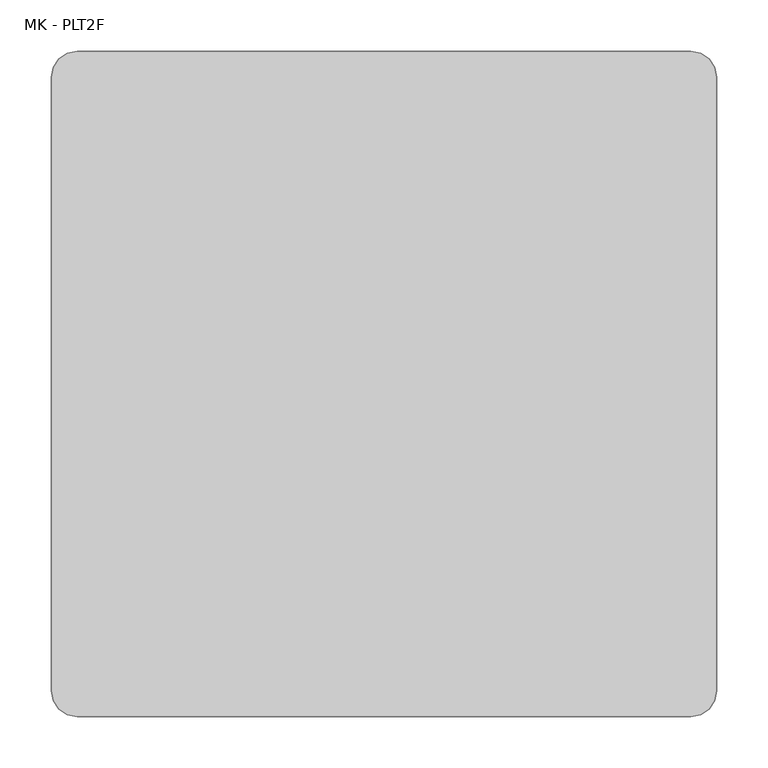
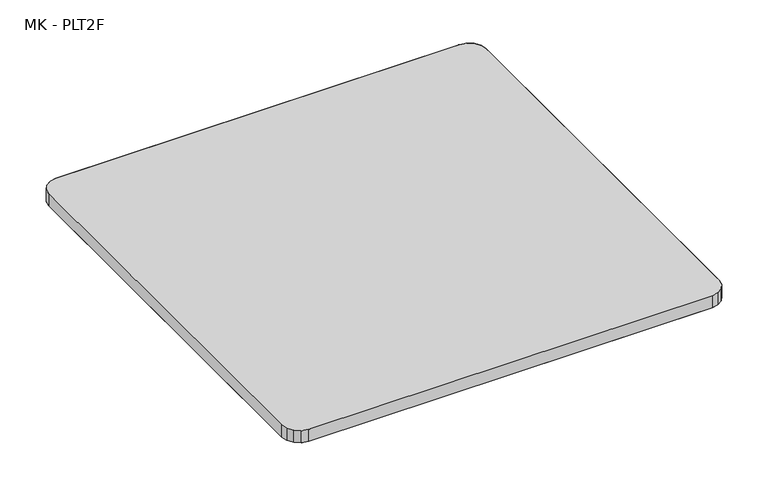
"""IFC4 building model written with IfcOpenShell, lengths in millimetres: furniture geometry, MK - PLT2F."""

from ifc_helpers import new_model, si_unit, origin, place, context, project, spatial, triangles, source, transform, mapped, element, save


def mk_plt2f_e7ddd707(model_context):
    return source(origin(), model_context, "Body", "Tessellation", [
        triangles([(324.9929898, 299.5939951, 249.5550073), (324.9929898, -299.5939951, 249.5550073), (324.9929898, -299.5939951, 230.5050073), (324.9929898, 299.5939951, 230.5050073), (299.5939951, -324.9929898, 230.5050073), (299.5939951, -324.9929898, 249.5550073), (-299.5939951, -324.9929898, 249.5550073), (-299.5939951, -324.9929898, 230.5050073), (309.313787, -323.0596049, 249.5550073), (309.313787, -323.0596049, 230.5050073), (323.0596049, -309.313787, 249.5550073), (323.0596049, -309.313787, 230.5050073), (317.5538, -317.5538, 249.5550073), (317.5538, -317.5538, 230.5050073), (-323.0596049, -309.313787, 249.5550073), (-324.9929898, -299.5939951, 249.5550073), (-324.9929898, -299.5939951, 230.5050073), (-323.0596049, -309.313787, 230.5050073), (-309.313787, -323.0596049, 249.5550073), (-309.313787, -323.0596049, 230.5050073), (-317.5538, -317.5538, 249.5550073), (-317.5538, -317.5538, 230.5050073), (-299.5939951, 324.9929898, 230.5050073), (-299.5939951, 324.9929898, 249.5550073), (299.5939951, 324.9929898, 249.5550073), (299.5939951, 324.9929898, 230.5050073), (-309.313787, 323.0596049, 249.5550073), (-309.313787, 323.0596049, 230.5050073), (-324.9929898, 299.5939951, 230.5050073), (-324.9929898, 299.5939951, 249.5550073), (-323.0596049, 309.313787, 249.5550073), (-323.0596049, 309.313787, 230.5050073), (-317.5538, 317.5538, 249.5550073), (-317.5538, 317.5538, 230.5050073), (323.0596049, 309.313787, 249.5550073), (323.0596049, 309.313787, 230.5050073), (309.313787, 323.0596049, 249.5550073), (309.313787, 323.0596049, 230.5050073), (317.5538, 317.5538, 249.5550073), (317.5538, 317.5538, 230.5050073)], [[1, 2, 3], [1, 3, 4], [5, 6, 7], [5, 7, 8], [9, 6, 5], [9, 5, 10], [3, 2, 11], [3, 11, 12], [12, 11, 13], [12, 13, 14], [14, 13, 9], [14, 9, 10], [15, 16, 17], [15, 17, 18], [8, 7, 19], [8, 19, 20], [20, 19, 21], [20, 21, 22], [22, 21, 15], [22, 15, 18], [23, 24, 25], [23, 25, 26], [27, 24, 23], [27, 23, 28], [29, 30, 31], [29, 31, 32], [32, 31, 33], [32, 33, 34], [34, 33, 27], [34, 27, 28], [35, 1, 4], [35, 4, 36], [26, 25, 37], [26, 37, 38], [38, 37, 39], [38, 39, 40], [40, 39, 35], [40, 35, 36], [17, 16, 30], [17, 30, 29]], closed=False),
        triangles([(324.9929898, 299.5939951, 249.5550073), (-324.9929898, 299.5939951, 249.5550073), (-324.9929898, -299.5939951, 249.5550073), (324.9929898, -299.5939951, 249.5550073), (-323.0596049, -309.313787, 249.5550073), (323.0596049, -309.313787, 249.5550073), (317.5538, -317.5538, 249.5550073), (-317.5538, -317.5538, 249.5550073), (-309.313787, -323.0596049, 249.5550073), (309.313787, -323.0596049, 249.5550073), (299.5939951, -324.9929898, 249.5550073), (-299.5939951, -324.9929898, 249.5550073), (323.0596049, 309.313787, 249.5550073), (-323.0596049, 309.313787, 249.5550073), (-317.5538, 317.5538, 249.5550073), (317.5538, 317.5538, 249.5550073), (309.313787, 323.0596049, 249.5550073), (-309.313787, 323.0596049, 249.5550073), (-299.5939951, 324.9929898, 249.5550073), (299.5939951, 324.9929898, 249.5550073), (-324.9929898, 299.5939951, 230.5050073), (324.9929898, 299.5939951, 230.5050073), (324.9929898, -299.5939951, 230.5050073), (-324.9929898, -299.5939951, 230.5050073), (323.0596049, -309.313787, 230.5050073), (-323.0596049, -309.313787, 230.5050073), (-317.5538, -317.5538, 230.5050073), (317.5538, -317.5538, 230.5050073), (309.313787, -323.0596049, 230.5050073), (-309.313787, -323.0596049, 230.5050073), (-299.5939951, -324.9929898, 230.5050073), (299.5939951, -324.9929898, 230.5050073), (-323.0596049, 309.313787, 230.5050073), (323.0596049, 309.313787, 230.5050073), (317.5538, 317.5538, 230.5050073), (-317.5538, 317.5538, 230.5050073), (-309.313787, 323.0596049, 230.5050073), (309.313787, 323.0596049, 230.5050073), (299.5939951, 324.9929898, 230.5050073), (-299.5939951, 324.9929898, 230.5050073)], [[1, 2, 3], [1, 3, 4], [3, 5, 6], [3, 6, 4], [7, 6, 5], [7, 5, 8], [8, 9, 10], [8, 10, 7], [11, 10, 12], [10, 9, 12], [1, 13, 14], [1, 14, 2], [15, 14, 13], [15, 13, 16], [16, 17, 18], [16, 18, 15], [19, 18, 20], [18, 17, 20], [21, 22, 23], [21, 23, 24], [23, 25, 26], [23, 26, 24], [27, 26, 25], [27, 25, 28], [28, 29, 30], [28, 30, 27], [31, 30, 32], [30, 29, 32], [21, 33, 34], [21, 34, 22], [35, 34, 33], [35, 33, 36], [36, 37, 38], [36, 38, 35], [39, 38, 40], [38, 37, 40]], closed=False),
    ])


if __name__ == "__main__":
    model = new_model("IFC4")
    model_context = context("Model", 3, world=origin())
    ifc_project = project(units=[si_unit("LENGTHUNIT", "METRE", prefix="MILLI")], contexts=[model_context])
    site = spatial("IfcSite", under=ifc_project)
    building = spatial("IfcBuilding", under=site)
    placement = place(None, origin())
    mk_plt2f_shape = mk_plt2f_e7ddd707(model_context)
    element("IfcFurniture", 1, ObjectType="MK - PLT2F", at=placement, inside=building, context=model_context, shape_type="MappedRepresentation", body=[
        mapped(mk_plt2f_shape, transform((0.0, 0.0, 0.0), x_axis=(1.0, 0.0, 0.0), y_axis=(0.0, 1.0, 0.0), z_axis=(0.0, 0.0, 1.0))),
    ])
    save(model, "model.ifc")
